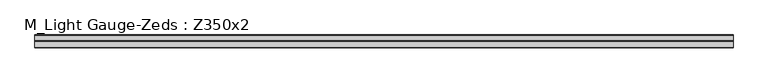
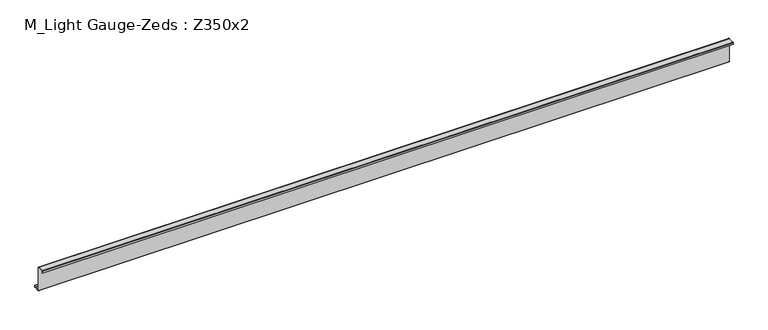
"""IFC4 building model written with IfcOpenShell, lengths in millimetres: beam geometry, M_Light Gauge-Zeds : Z350x2."""

from ifc_helpers import new_model, si_unit, point, frame, frame_2d, origin, place, context, project, spatial, polyline, circle_curve, trimmed, segment, composite_curve, outline, extrude, source, transform, mapped, element, save


def m_light_gauge_zeds_z350x2_391b438b(model_context):
    return source(origin(), model_context, "Body", "SweptSolid", [
        extrude(outline(composite_curve([segment(polyline([(0.0, -171.0), (0.0, 171.0)]), True, "CONTINUOUS"), segment(trimmed(circle_curve(frame_2d((-2.0, 171.0)), 2.0), [point((0.0, 171.0))], [point((-2.0, 173.0))], True, "CARTESIAN"), True, "CONTINUOUS"), segment(polyline([(-2.0, 173.0), (-90.0, 173.0)]), True, "CONTINUOUS"), segment(trimmed(circle_curve(frame_2d((-90.0, 171.0)), 2.0), [point((-90.0, 173.0))], [point((-92.0, 171.0))], True, "CARTESIAN"), True, "CONTINUOUS"), segment(polyline([(-92.0, 171.0), (-92.0, 145.0), (-94.0, 145.0), (-94.0, 171.0)]), True, "CONTINUOUS"), segment(trimmed(circle_curve(frame_2d((-90.0, 171.0)), 4.0), [point((-94.0, 171.0))], [point((-90.0, 175.0))], False, "CARTESIAN"), True, "CONTINUOUS"), segment(polyline([(-90.0, 175.0), (-2.0, 175.0)]), True, "CONTINUOUS"), segment(trimmed(circle_curve(frame_2d((-2.0, 171.0)), 4.0), [point((-2.0, 175.0))], [point((2.0, 171.0))], False, "CARTESIAN"), True, "CONTINUOUS"), segment(polyline([(2.0, 171.0), (2.0, -171.0)]), True, "CONTINUOUS"), segment(trimmed(circle_curve(frame_2d((4.0, -171.0)), 2.0), [point((2.0, -171.0))], [point((4.0, -173.0))], True, "CARTESIAN"), True, "CONTINUOUS"), segment(polyline([(4.0, -173.0), (82.0, -173.0)]), True, "CONTINUOUS"), segment(trimmed(circle_curve(frame_2d((82.0, -171.0)), 2.0), [point((82.0, -173.0))], [point((84.0, -171.0))], True, "CARTESIAN"), True, "CONTINUOUS"), segment(polyline([(84.0, -171.0), (84.0, -145.0), (86.0, -145.0), (86.0, -171.0)]), True, "CONTINUOUS"), segment(trimmed(circle_curve(frame_2d((82.0, -171.0)), 4.0), [point((86.0, -171.0))], [point((82.0, -175.0))], False, "CARTESIAN"), True, "CONTINUOUS"), segment(polyline([(82.0, -175.0), (4.0, -175.0)]), True, "CONTINUOUS"), segment(trimmed(circle_curve(frame_2d((4.0, -171.0)), 4.0), [point((4.0, -175.0))], [point((0.0, -171.0))], False, "CARTESIAN"), True, "CONTINUOUS")], self_intersect=False)), frame((-4799.8938648, 0.0, 0.0), z_axis=(1.0, 0.0, 0.0), x_axis=(0.0, 1.0, 0.0)), (0.0, 0.0, 1.0), 9687.1938648),
    ])


if __name__ == "__main__":
    model = new_model("IFC4")
    model_context = context("Model", 3, world=origin())
    ifc_project = project(units=[si_unit("LENGTHUNIT", "METRE", prefix="MILLI")], contexts=[model_context])
    site = spatial("IfcSite", under=ifc_project)
    building = spatial("IfcBuilding", under=site)
    placement = place(None, origin())
    m_light_gauge_zeds_z350x2_shape = m_light_gauge_zeds_z350x2_391b438b(model_context)
    element("IfcBeam", 1, ObjectType="M_Light Gauge-Zeds : Z350x2", at=placement, inside=building, context=model_context, shape_type="MappedRepresentation", body=[
        mapped(m_light_gauge_zeds_z350x2_shape, transform((0.0, 0.0, 0.0), x_axis=(1.0, 0.0, 0.0), y_axis=(0.0, 1.0, 0.0), z_axis=(0.0, 0.0, 1.0))),
    ])
    save(model, "model.ifc")
